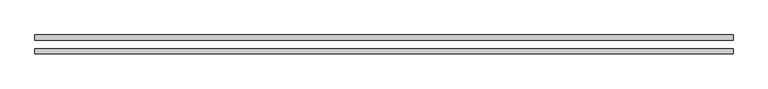
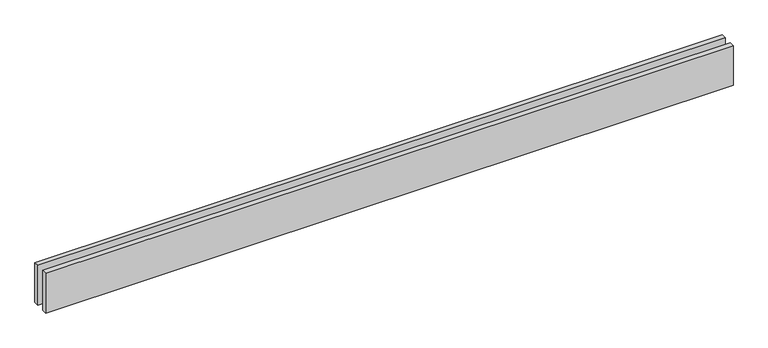
"""IFC4 building model written with IfcOpenShell, lengths in millimetres: proxy geometry."""

import ifcopenshell
import ifcopenshell.guid

model = None  # the IFC model being written
_history = None  # IfcOwnerHistory: only IFC2X3 demands one
_inside = {}  # id of a spatial element -> (the spatial element, [elements in it])
_under = {}  # id of a project, library or spatial element -> (it, [spatial elements below it])
_declared = {}  # id of a project -> (the project, [libraries it declares])
_typed = {}  # id of a type object -> (the type object, [elements of that type])
_made_of = {}  # id of a material, layer set ... -> (it, [elements and type objects made of it])


def new_model(schema):
    """Start an empty IFC model of exactly this schema.

    Asked for "IFC4X3", IfcOpenShell would pick the latest addendum, in which some entities
    have other attributes; the version numbers below select the first issue.
    IFC2X3 requires an IfcOwnerHistory on every rooted entity: one is made here for all.
    """
    global model, _history
    if schema == "IFC4X3":
        model = ifcopenshell.file(schema_version=(4, 3, 0, 0))
    else:
        model = ifcopenshell.file(schema=schema)
    _inside.clear()
    _under.clear()
    _declared.clear()
    _typed.clear()
    _made_of.clear()
    _history = None
    if model.schema == "IFC2X3":
        org = make("IfcOrganization", Name="unknown")
        user = make(
            "IfcPersonAndOrganization",
            ThePerson=make("IfcPerson", FamilyName="unknown"),
            TheOrganization=org,
        )
        app = make(
            "IfcApplication",
            ApplicationDeveloper=org,
            Version="unknown",
            ApplicationFullName="unknown",
            ApplicationIdentifier="unknown",
        )
        _history = make(
            "IfcOwnerHistory",
            OwningUser=user,
            OwningApplication=app,
            ChangeAction="ADDED",
            CreationDate=0,
        )
    return model


def make(cls, **values):
    """One entity of the class cls with the attributes given. An attribute that is None is left unset."""
    return model.create_entity(
        cls, **{name: value for name, value in values.items() if value is not None}
    )


def rooted(cls, **values):
    """An entity with a GlobalId (a new one), such as an element, a storey or a relation."""
    return make(cls, GlobalId=ifcopenshell.guid.new(), OwnerHistory=_history, **values)


def si_unit(unit_type, name, prefix=None):
    """IfcSIUnit, for example si_unit("LENGTHUNIT", "METRE", prefix="MILLI")."""
    return make("IfcSIUnit", UnitType=unit_type, Prefix=prefix, Name=name)


def assignment(units):
    """IfcUnitAssignment: the units of a project."""
    return None if units is None else make("IfcUnitAssignment", Units=units)


def point(xyz):
    """IfcCartesianPoint."""
    return None if xyz is None else make("IfcCartesianPoint", Coordinates=xyz)


def direction(xyz):
    """IfcDirection."""
    return None if xyz is None else make("IfcDirection", DirectionRatios=xyz)


def frame(location, z_axis=None, x_axis=None):
    """IfcAxis2Placement3D, a coordinate frame: its origin and axes. An axis left out is left unset."""
    return make(
        "IfcAxis2Placement3D",
        Location=point(location),
        Axis=direction(z_axis),
        RefDirection=direction(x_axis),
    )


def origin():
    """The frame at (0, 0, 0) with its axes left unset."""
    return frame((0.0, 0.0, 0.0))


def origin_with_axes():
    """The frame at (0, 0, 0) with the z axis (0, 0, 1) and the x axis (1, 0, 0) written out."""
    return frame((0.0, 0.0, 0.0), z_axis=(0.0, 0.0, 1.0), x_axis=(1.0, 0.0, 0.0))


def place(relative_to, where):
    """IfcLocalPlacement: puts the frame where relative to a parent placement (None: the world)."""
    return make(
        "IfcLocalPlacement", PlacementRelTo=relative_to, RelativePlacement=where
    )


def context(
    kind, dimensions, precision=None, world=None, true_north=None, identifier=None
):
    """IfcGeometricRepresentationContext, for example the 3D "Model" context."""
    return make(
        "IfcGeometricRepresentationContext",
        ContextIdentifier=identifier,
        ContextType=kind,
        CoordinateSpaceDimension=dimensions,
        Precision=precision,
        WorldCoordinateSystem=world,
        TrueNorth=true_north,
    )


def project(units=None, contexts=None):
    """IfcProject with its units and contexts."""
    return rooted(
        "IfcProject",
        Name="project",
        RepresentationContexts=contexts,
        UnitsInContext=assignment(units),
    )


def spatial(cls, under=None, at=None, **own):
    """A site, building, storey or space (cls), placed at a placement, below another one or the project."""
    s = rooted(cls, ObjectPlacement=at, **own)
    if under is not None:
        _under.setdefault(under.id(), (under, []))[1].append(s)
    return s


def polyline(points):
    """IfcPolyline through the points."""
    return make("IfcPolyline", Points=[point(p) for p in points])


def outline(outer, holes=None, kind="AREA"):
    """IfcArbitraryClosedProfileDef: a profile drawn as a closed curve; with holes, ...WithVoids."""
    if holes is None:
        return make("IfcArbitraryClosedProfileDef", ProfileType=kind, OuterCurve=outer)
    return make(
        "IfcArbitraryProfileDefWithVoids",
        ProfileType=kind,
        OuterCurve=outer,
        InnerCurves=holes,
    )


def extrude(swept, where, along, depth):
    """IfcExtrudedAreaSolid: the profile swept, set in the frame where, extruded along a direction by depth."""
    return make(
        "IfcExtrudedAreaSolid",
        SweptArea=swept,
        Position=where,
        ExtrudedDirection=direction(along),
        Depth=depth,
    )


def shape(context_of_items, identifier, shape_type, items):
    """IfcShapeRepresentation: the items that make up one representation, for example the "Body"."""
    return make(
        "IfcShapeRepresentation",
        ContextOfItems=context_of_items,
        RepresentationIdentifier=identifier,
        RepresentationType=shape_type,
        Items=items,
    )


def source(mapping_origin, context_of_items, identifier, shape_type, items):
    """IfcRepresentationMap: a shape defined once, which mapped items show again and again."""
    return make(
        "IfcRepresentationMap",
        MappingOrigin=mapping_origin,
        MappedRepresentation=shape(context_of_items, identifier, shape_type, items),
    )


def transform(
    local_origin,
    x_axis=None,
    y_axis=None,
    z_axis=None,
    scale=None,
    scale2=None,
    scale3=None,
    uniform=True,
):
    """IfcCartesianTransformationOperator3D, or its non-uniform kind. x_axis, y_axis, z_axis: its Axis1, 2, 3."""
    if uniform:
        return make(
            "IfcCartesianTransformationOperator3D",
            Axis1=direction(x_axis),
            Axis2=direction(y_axis),
            LocalOrigin=point(local_origin),
            Scale=scale,
            Axis3=direction(z_axis),
        )
    return make(
        "IfcCartesianTransformationOperator3DnonUniform",
        Axis1=direction(x_axis),
        Axis2=direction(y_axis),
        LocalOrigin=point(local_origin),
        Scale=scale,
        Axis3=direction(z_axis),
        Scale2=scale2,
        Scale3=scale3,
    )


def mapped(mapping_source, mapping_target):
    """IfcMappedItem: shows the shape of a source again, moved by a transform."""
    return make(
        "IfcMappedItem", MappingSource=mapping_source, MappingTarget=mapping_target
    )


def made_of(thing, what):
    """Note that an element or type object is made of a material, layer set ...; save() writes the relation."""
    if what is not None:
        _made_of.setdefault(what.id(), (what, []))[1].append(thing)
    return thing


def element(
    cls,
    number,
    at=None,
    inside=None,
    cuts=None,
    type_object=None,
    material=None,
    context=None,
    identifier="Body",
    shape_type=None,
    held_by="IfcProductDefinitionShape",
    body=None,
    shapes=None,
    **own,
):
    """One element of the class cls, such as IfcWall. Its Tag is "e" and its number.

    at: its placement. inside: the storey or other place that contains it. cuts: it is an
    opening in that element (IfcRelVoidsElement). A single representation is given by context,
    identifier, shape_type and body (its items); several are given by shapes. held_by: the class
    of the entity that holds the representations. save() writes the other relations.
    """
    e = rooted(cls, Tag="e%d" % number, ObjectPlacement=at, **own)
    if body is not None:
        shapes = [shape(context, identifier, shape_type, body)]
    if shapes is not None:
        e.Representation = make(held_by, Representations=shapes)
    if inside is not None:
        _inside.setdefault(inside.id(), (inside, []))[1].append(e)
    if cuts is not None:
        rooted(
            "IfcRelVoidsElement", RelatingBuildingElement=cuts, RelatedOpeningElement=e
        )
    if type_object is not None:
        _typed.setdefault(type_object.id(), (type_object, []))[1].append(e)
    return made_of(e, material)


def aggregate(whole, parts):
    """IfcRelAggregates: a whole, such as a stair, and the parts it consists of."""
    return rooted("IfcRelAggregates", RelatingObject=whole, RelatedObjects=parts)


def save(model, path):
    """Write the relations noted so far, then the file.

    IfcRelAggregates (storeys below a building ...), IfcRelContainedInSpatialStructure (elements
    in a storey), IfcRelDefinesByType, IfcRelAssociatesMaterial and IfcRelDeclares: one each for
    every whole, place, type object, material and project.
    """
    for whole, parts in _under.values():
        aggregate(whole, parts)
    for where, things in _inside.values():
        rooted(
            "IfcRelContainedInSpatialStructure",
            RelatedElements=things,
            RelatingStructure=where,
        )
    for kind, things in _typed.values():
        rooted("IfcRelDefinesByType", RelatedObjects=things, RelatingType=kind)
    for what, things in _made_of.values():
        rooted("IfcRelAssociatesMaterial", RelatedObjects=things, RelatingMaterial=what)
    for by, libraries in _declared.values():
        rooted("IfcRelDeclares", RelatingContext=by, RelatedDefinitions=libraries)
    model.write(path)


def generic_models_b1f6b168(model_context):
    return source(origin(), model_context, "Body", "SweptSolid", [
        extrude(outline(polyline([(4080.0, -25.0), (4080.0, -55.0), (0.0, -55.0), (0.0, -25.0), (4080.0, -25.0)])), origin_with_axes(), (0.0, 0.0, 1.0), 250.0),
        extrude(outline(polyline([(4080.0, 55.0), (4080.0, 25.0), (0.0, 25.0), (0.0, 55.0), (4080.0, 55.0)])), origin_with_axes(), (0.0, 0.0, 1.0), 250.0),
    ])


if __name__ == "__main__":
    model = new_model("IFC4")
    model_context = context("Model", 3, world=origin())
    ifc_project = project(units=[si_unit("LENGTHUNIT", "METRE", prefix="MILLI")], contexts=[model_context])
    site = spatial("IfcSite", under=ifc_project)
    building = spatial("IfcBuilding", under=site)
    placement = place(None, origin())
    generic_models_shape = generic_models_b1f6b168(model_context)
    element("IfcBuildingElementProxy", 1, Name="Generic Models", at=placement, inside=building, context=model_context, shape_type="MappedRepresentation", body=[
        mapped(generic_models_shape, transform((0.0, 0.0, 0.0), x_axis=(1.0, 0.0, 0.0), y_axis=(0.0, 1.0, 0.0), z_axis=(0.0, 0.0, 1.0))),
    ])
    save(model, "model.ifc")
